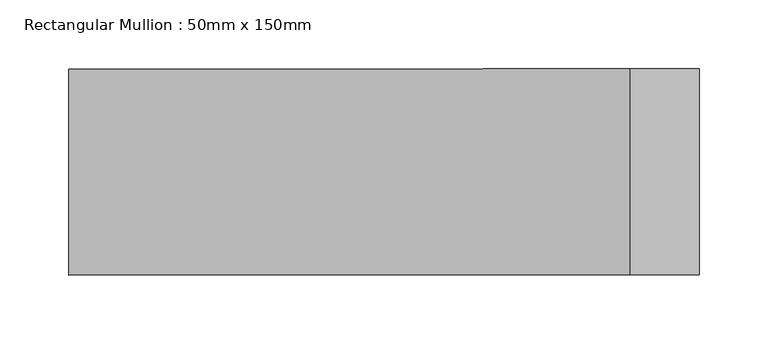
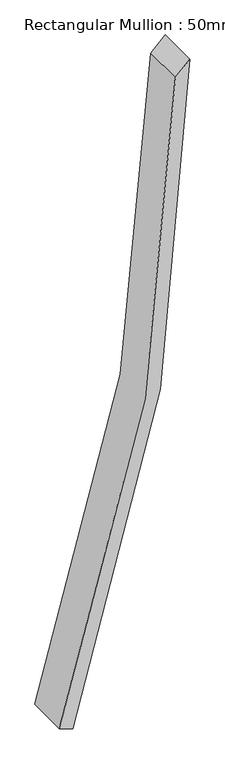
"""IFC4 building model written with IfcOpenShell, lengths in millimetres: member geometry, Rectangular Mullion : 50mm x 150mm."""

from ifc_helpers import new_model, si_unit, point, frame, frame_2d, origin, place, context, project, spatial, polyline, circle_curve, trimmed, segment, composite_curve, outline, extrude, source, transform, mapped, element, save


def rectangular_mullion_50mm_x_150mm_b520bb4d(model_context):
    return source(origin(), model_context, "Body", "SweptSolid", [
        extrude(outline(composite_curve([segment(trimmed(circle_curve(frame_2d((0.0, -6914.0186607)), 6914.0186607), [point((-2351.8533559, -412.2927489))], [point((0.0, 0.0))], False, "CARTESIAN"), True, "CONTINUOUS"), segment(polyline([(0.0, 0.0), (-50.1834503, -50.1834503)]), True, "CONTINUOUS"), segment(trimmed(circle_curve(frame_2d((0.0, -6914.0186607)), 6864.0186607), [point((-50.1834503, -50.1834503))], [point((-2334.845495, -459.3111779))], True, "CARTESIAN"), True, "CONTINUOUS"), segment(polyline([(-2334.845495, -459.3111779), (-2351.8533559, -412.2927489)]), True, "CONTINUOUS")], self_intersect=False)), frame((0.0, -75.0, 0.0), z_axis=(0.0, 1.0, 0.0), x_axis=(0.0, 0.0, 1.0)), (0.0, 0.0, 1.0), 150.0),
    ])


if __name__ == "__main__":
    model = new_model("IFC4")
    model_context = context("Model", 3, world=origin())
    ifc_project = project(units=[si_unit("LENGTHUNIT", "METRE", prefix="MILLI")], contexts=[model_context])
    site = spatial("IfcSite", under=ifc_project)
    building = spatial("IfcBuilding", under=site)
    placement = place(None, origin())
    rectangular_mullion_50mm_x_150mm_shape = rectangular_mullion_50mm_x_150mm_b520bb4d(model_context)
    element("IfcMember", 1, ObjectType="Rectangular Mullion : 50mm x 150mm", at=placement, inside=building, context=model_context, shape_type="MappedRepresentation", body=[
        mapped(rectangular_mullion_50mm_x_150mm_shape, transform((0.0, 0.0, 0.0), x_axis=(1.0, 0.0, 0.0), y_axis=(0.0, 1.0, 0.0), z_axis=(0.0, 0.0, 1.0))),
    ])
    save(model, "model.ifc")
